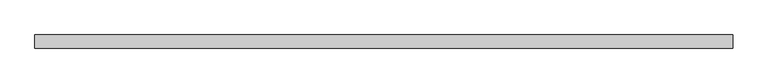
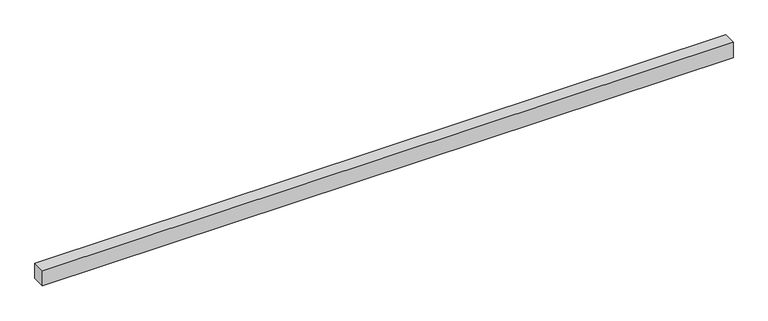
"""IFC4 building model written with IfcOpenShell, lengths in millimetres: proxy geometry."""

from ifc_helpers import new_model, si_unit, origin, origin_with_axes, place, context, project, spatial, polyline, outline, extrude, source, transform, mapped, element, save


def generic_models_9fa317a1(model_context):
    return source(origin(), model_context, "Body", "SweptSolid", [
        extrude(outline(polyline([(4256.4875831, -40.0), (0.0, -40.0), (0.0, 40.0), (4256.4875831, 40.0), (4256.4875831, -40.0)])), origin_with_axes(), (0.0, 0.0, 1.0), 100.0),
    ])


if __name__ == "__main__":
    model = new_model("IFC4")
    model_context = context("Model", 3, world=origin())
    ifc_project = project(units=[si_unit("LENGTHUNIT", "METRE", prefix="MILLI")], contexts=[model_context])
    site = spatial("IfcSite", under=ifc_project)
    building = spatial("IfcBuilding", under=site)
    placement = place(None, origin())
    generic_models_shape = generic_models_9fa317a1(model_context)
    element("IfcBuildingElementProxy", 1, Name="Generic Models", at=placement, inside=building, context=model_context, shape_type="MappedRepresentation", body=[
        mapped(generic_models_shape, transform((0.0, 0.0, 0.0), x_axis=(1.0, 0.0, 0.0), y_axis=(0.0, 1.0, 0.0), z_axis=(0.0, 0.0, 1.0))),
    ])
    save(model, "model.ifc")
